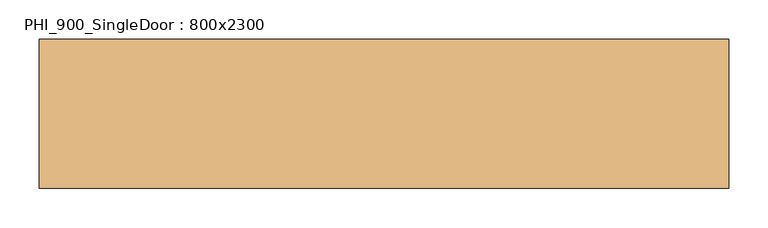
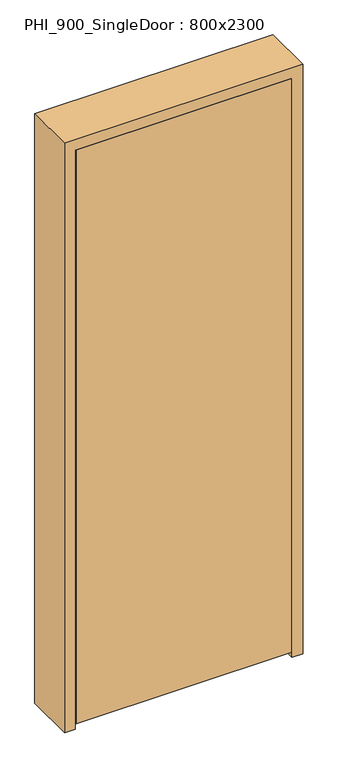
"""IFC4 building model written with IfcOpenShell, lengths in millimetres: door geometry, PHI_900_SingleDoor : 800x2300."""

from ifc_helpers import new_model, si_unit, frame, origin, place, context, project, spatial, polyline, outline, extrude, source, transform, mapped, element, save


def phi_900_singledoor_800x2300_26f717c7(model_context):
    return source(origin(), model_context, "Body", "SweptSolid", [
        extrude(outline(polyline([(398.0, -95.0), (-398.0, -95.0), (-398.0, -45.0), (398.0, -45.0), (398.0, -95.0)])), frame((0.0, 0.0, 20.0), z_axis=(0.0, 0.0, 1.0), x_axis=(1.0, 0.0, 0.0)), (0.0, 0.0, 1.0), 2238.0),
        extrude(outline(polyline([(2300.0, -440.0), (0.0, -440.0), (0.0, -400.0), (2260.0, -400.0), (2260.0, 400.0), (0.0, 400.0), (0.0, 440.0), (2300.0, 440.0), (2300.0, -440.0)])), frame((0.0, -95.0, 0.0), z_axis=(0.0, 1.0, 0.0), x_axis=(0.0, 0.0, 1.0)), (0.0, 0.0, 1.0), 190.0),
        extrude(outline(polyline([(2260.0, -400.0), (0.0, -400.0), (0.0, -380.0), (2240.0, -380.0), (2240.0, 380.0), (0.0, 380.0), (0.0, 400.0), (2260.0, 400.0), (2260.0, -400.0)])), frame((0.0, -45.0, 0.0), z_axis=(0.0, 1.0, 0.0), x_axis=(0.0, 0.0, 1.0)), (0.0, 0.0, 1.0), 45.0),
    ])


if __name__ == "__main__":
    model = new_model("IFC4")
    model_context = context("Model", 3, world=origin())
    ifc_project = project(units=[si_unit("LENGTHUNIT", "METRE", prefix="MILLI")], contexts=[model_context])
    site = spatial("IfcSite", under=ifc_project)
    building = spatial("IfcBuilding", under=site)
    placement = place(None, origin())
    phi_900_singledoor_800x2300_shape = phi_900_singledoor_800x2300_26f717c7(model_context)
    element("IfcDoor", 1, ObjectType="PHI_900_SingleDoor : 800x2300", at=placement, inside=building, context=model_context, shape_type="MappedRepresentation", body=[
        mapped(phi_900_singledoor_800x2300_shape, transform((0.0, 0.0, 0.0), x_axis=(1.0, 0.0, 0.0), y_axis=(0.0, 1.0, 0.0), z_axis=(0.0, 0.0, 1.0))),
    ])
    save(model, "model.ifc")
